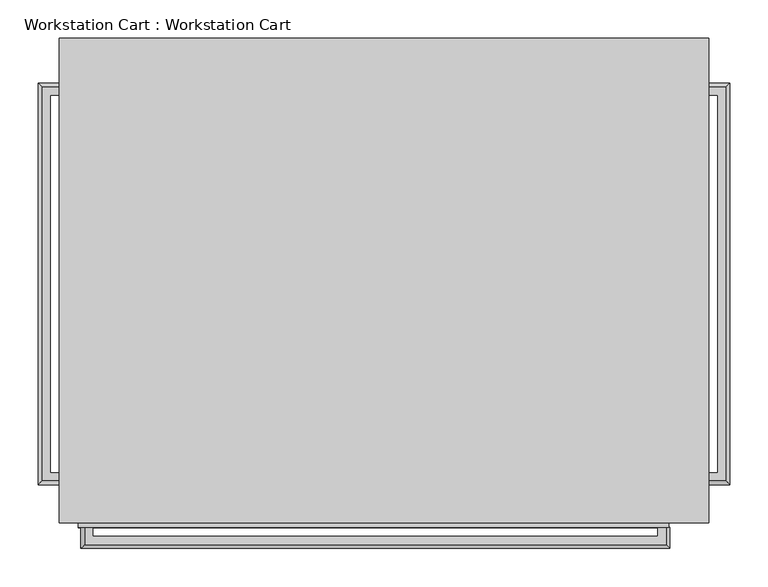
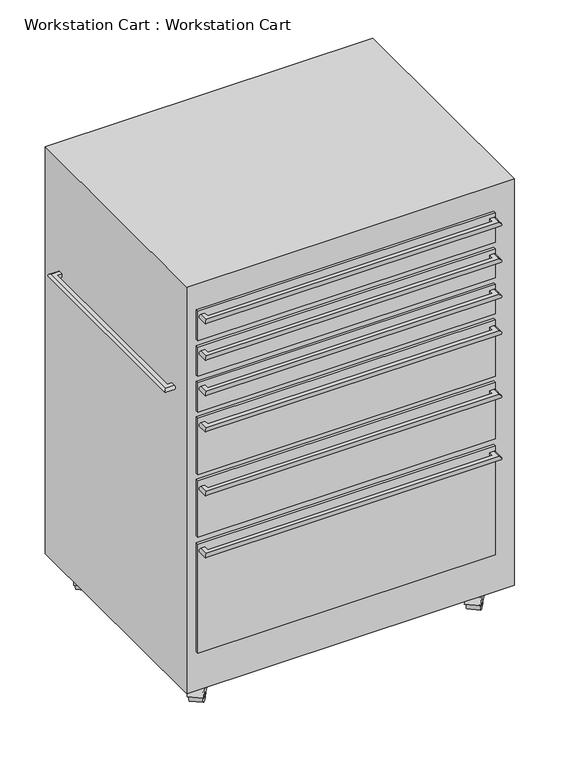
"""IFC4 building model written with IfcOpenShell, lengths in millimetres: proxy geometry, Workstation Cart : Workstation Cart."""

from ifc_helpers import new_model, si_unit, point, frame, frame_2d, origin, place, context, project, spatial, polyline, circle_curve, ellipse_curve, trimmed, segment, composite_curve, outline, extrude, faceted_brep, source, transform, mapped, element, save
from ifc_brep_helpers import plane_surface, cylinder_surface, advanced_brep


def workstation_cart_workstation_cart_99883234(model_context):
    return source(origin(), model_context, "Body", "SolidModel", [
        advanced_brep(
        [(-190.4992575, -364.236749, 842.4976645), (-190.4992575, -353.611749, 842.4976645), (-190.4992575, -353.611749, 852.4976645), (-190.4992575, -364.236749, 852.4976645), (-212.8761031, -364.236749, 852.4976645), (-212.8761031, -364.236749, 842.4976645), (-202.2511031, -353.611749, 852.4976645), (-202.2511031, 141.388251, 852.4976645), (-190.4992575, 141.388251, 852.4976645), (-190.4992575, 152.013251, 852.4976645), (-212.8761031, 152.013251, 852.4976645), (-202.2511031, -353.611749, 842.4976645), (-212.8761031, 152.013251, 842.4976645), (-190.4992575, 152.013251, 842.4976645), (-190.4992575, 141.388251, 842.4976645), (-202.2511031, 141.388251, 842.4976645)],
        [
            (0, 1),
            (1, 2),
            (2, 3),
            (3, 0, circle_curve(frame((-190.4992575, -364.236749, 847.4976645), z_axis=(1.0, 0.0, 0.0), x_axis=(0.0, -1.0, 0.0)), 5.0)),
            (3, 4),
            (4, 5, ellipse_curve(frame((-212.8761031, -364.236749, 847.4976645), z_axis=(0.7071067811865502, -0.7071067811865448, 0.0), x_axis=(0.7071067811865448, 0.7071067811865501, 0.0)), 7.0710678, 5.0)),
            (5, 0),
            (2, 6),
            (6, 7),
            (7, 8),
            (8, 9),
            (9, 10),
            (10, 4),
            (1, 11),
            (11, 6),
            (5, 12),
            (12, 13),
            (13, 14),
            (14, 15),
            (15, 11),
            (10, 12, ellipse_curve(frame((-212.8761031, 152.013251, 847.4976645), z_axis=(-0.7071067811865454, -0.7071067811865496, 0.0), x_axis=(0.7071067811865495, -0.7071067811865456, 0.0)), 7.0710678, 5.0)),
            (15, 7),
            (13, 9, circle_curve(frame((-190.4992575, 152.013251, 847.4976645), z_axis=(1.0, 0.0, 0.0), x_axis=(0.0, 1.0, 0.0)), 5.0)),
            (8, 14),
        ],
        [
            plane_surface(frame((-190.4992575, -353.611749, 422.4976645), z_axis=(1.0, 0.0, 0.0), x_axis=(0.0, 0.0, 1.0))),
            cylinder_surface(frame((-190.4992575, -364.236749, 847.4976645), z_axis=(1.0, 0.0, 0.0), x_axis=(0.0, -1.0, 0.0)), 5.0),
            plane_surface(frame((-190.4992575, -353.611749, 852.4976645), z_axis=(0.0, 0.0, 1.0), x_axis=(-1.0, 0.0, 0.0))),
            plane_surface(frame((-190.4992575, -353.611749, 842.4976645), z_axis=(0.0, 1.0, 0.0), x_axis=(-1.0, 0.0, 0.0))),
            plane_surface(frame((-190.4992575, -364.236749, 842.4976645), z_axis=(0.0, 0.0, -1.0), x_axis=(-1.0, 0.0, 0.0))),
            cylinder_surface(frame((-212.8761031, -353.611749, 847.4976645), z_axis=(0.0, -1.0, 0.0), x_axis=(-1.0, 0.0, 0.0)), 5.0),
            plane_surface(frame((-202.2511031, -353.611749, 842.4976645), z_axis=(1.0, 0.0, 0.0), x_axis=(0.0, 1.0, 0.0))),
            plane_surface(frame((-190.4992575, 141.388251, 422.4976645), z_axis=(1.0, 0.0, 0.0), x_axis=(0.0, 0.0, 1.0))),
            cylinder_surface(frame((-202.2511031, 152.013251, 847.4976645), z_axis=(-1.0, 0.0, 0.0), x_axis=(0.0, 1.0, 0.0)), 5.0),
            plane_surface(frame((-202.2511031, 141.388251, 842.4976645), z_axis=(0.0, -1.0, 0.0), x_axis=(1.0, 0.0, 0.0))),
        ],
        [
            (0, [[1, 2, 3, 4]]),
            (1, [[-4, 5, 6, 7]]),
            (2, [[-3, 8, 9, 10, 11, 12, 13, -5]]),
            (3, [[-2, 14, 15, -8]]),
            (4, [[-1, -7, 16, 17, 18, 19, 20, -14]]),
            (5, [[-6, -13, 21, -16]]),
            (6, [[-15, -20, 22, -9]]),
            (7, [[23, -11, 24, -18]]),
            (8, [[-21, -12, -23, -17]]),
            (9, [[-22, -19, -24, -10]]),
        ],
    ),
        advanced_brep(
        [(660.3992575, -364.236749, 842.4976645), (660.3992575, -364.236749, 852.4976645), (660.3992575, -353.611749, 852.4976645), (660.3992575, -353.611749, 842.4976645), (682.7761031, -364.236749, 842.4976645), (682.7761031, -364.236749, 852.4976645), (682.7761031, 152.013251, 852.4976645), (660.3992575, 152.013251, 852.4976645), (660.3992575, 141.388251, 852.4976645), (672.1511031, 141.388251, 852.4976645), (672.1511031, -353.611749, 852.4976645), (672.1511031, -353.611749, 842.4976645), (672.1511031, 141.388251, 842.4976645), (660.3992575, 141.388251, 842.4976645), (660.3992575, 152.013251, 842.4976645), (682.7761031, 152.013251, 842.4976645)],
        [
            (0, 1, circle_curve(frame((660.3992575, -364.236749, 847.4976645), z_axis=(-1.0, 0.0, 0.0), x_axis=(0.0, 1.0, 0.0)), 5.0)),
            (1, 2),
            (2, 3),
            (3, 0),
            (0, 4),
            (4, 5, ellipse_curve(frame((682.7761031, -364.236749, 847.4976645), z_axis=(-0.7071067811865502, -0.7071067811865448, 0.0), x_axis=(-0.7071067811865448, 0.7071067811865501, 0.0)), 7.0710678, 5.0)),
            (5, 1),
            (5, 6),
            (6, 7),
            (7, 8),
            (8, 9),
            (9, 10),
            (10, 2),
            (10, 11),
            (11, 3),
            (11, 12),
            (12, 13),
            (13, 14),
            (14, 15),
            (15, 4),
            (15, 6, ellipse_curve(frame((682.7761031, 152.013251, 847.4976645), z_axis=(0.7071067811865454, -0.7071067811865496, 0.0), x_axis=(-0.7071067811865495, -0.7071067811865456, 0.0)), 7.0710678, 5.0)),
            (9, 12),
            (13, 8),
            (7, 14, circle_curve(frame((660.3992575, 152.013251, 847.4976645), z_axis=(-1.0, 0.0, 0.0), x_axis=(0.0, -1.0, 0.0)), 5.0)),
        ],
        [
            plane_surface(frame((660.3992575, -353.611749, 422.4976645), z_axis=(-1.0, 0.0, 0.0), x_axis=(0.0, 0.0, 1.0))),
            cylinder_surface(frame((660.3992575, -364.236749, 847.4976645), z_axis=(-1.0, 0.0, 0.0), x_axis=(0.0, 1.0, 0.0)), 5.0),
            plane_surface(frame((660.3992575, -364.236749, 852.4976645), z_axis=(0.0, 0.0, 1.0), x_axis=(1.0, 0.0, 0.0))),
            plane_surface(frame((660.3992575, -353.611749, 852.4976645), z_axis=(0.0, 1.0, 0.0), x_axis=(1.0, 0.0, 0.0))),
            plane_surface(frame((660.3992575, -353.611749, 842.4976645), z_axis=(0.0, 0.0, -1.0), x_axis=(1.0, 0.0, 0.0))),
            cylinder_surface(frame((682.7761031, -353.611749, 847.4976645), z_axis=(0.0, -1.0, 0.0), x_axis=(-1.0, 0.0, 0.0)), 5.0),
            plane_surface(frame((672.1511031, -353.611749, 852.4976645), z_axis=(-1.0, 0.0, 0.0), x_axis=(0.0, 1.0, 0.0))),
            plane_surface(frame((660.3992575, 141.388251, 422.4976645), z_axis=(-1.0, 0.0, 0.0), x_axis=(0.0, 0.0, 1.0))),
            cylinder_surface(frame((672.1511031, 152.013251, 847.4976645), z_axis=(1.0, 0.0, 0.0), x_axis=(0.0, -1.0, 0.0)), 5.0),
            plane_surface(frame((672.1511031, 141.388251, 852.4976645), z_axis=(0.0, -1.0, 0.0), x_axis=(-1.0, 0.0, 0.0))),
        ],
        [
            (0, [[1, 2, 3, 4]]),
            (1, [[-1, 5, 6, 7]]),
            (2, [[-2, -7, 8, 9, 10, 11, 12, 13]]),
            (3, [[-3, -13, 14, 15]]),
            (4, [[-4, -15, 16, 17, 18, 19, 20, -5]]),
            (5, [[-6, -20, 21, -8]]),
            (6, [[-14, -12, 22, -16]]),
            (7, [[-18, 23, -10, 24]]),
            (8, [[-21, -19, -24, -9]]),
            (9, [[-22, -11, -23, -17]]),
        ],
    ),
        advanced_brep(
        [(-156.9309335, -425.45, 1062.5), (-156.9309335, -425.45, 1072.5), (-146.3059335, -425.45, 1072.5), (-146.3059335, -425.45, 1062.5), (-156.9309335, -447.8268456, 1062.5), (-156.9309335, -447.8268456, 1072.5), (604.3190665, -447.8268456, 1072.5), (604.3190665, -425.45, 1072.5), (593.6940665, -425.45, 1072.5), (593.6940665, -437.2018456, 1072.5), (-146.3059335, -437.2018456, 1072.5), (-146.3059335, -437.2018456, 1062.5), (593.6940665, -437.2018456, 1062.5), (593.6940665, -425.45, 1062.5), (604.3190665, -425.45, 1062.5), (604.3190665, -447.8268456, 1062.5)],
        [
            (0, 1, circle_curve(frame((-156.9309335, -425.45, 1067.5), z_axis=(0.0, 1.0, 0.0), x_axis=(1.0, 0.0, 0.0)), 5.0)),
            (1, 2),
            (2, 3),
            (3, 0),
            (0, 4),
            (4, 5, ellipse_curve(frame((-156.9309335, -447.8268456, 1067.5), z_axis=(-0.707106781186546, 0.7071067811865491, 0.0), x_axis=(0.7071067811865491, 0.7071067811865459, 0.0)), 7.0710678, 5.0)),
            (5, 1),
            (5, 6),
            (6, 7),
            (7, 8),
            (8, 9),
            (9, 10),
            (10, 2),
            (10, 11),
            (11, 3),
            (11, 12),
            (12, 13),
            (13, 14),
            (14, 15),
            (15, 4),
            (15, 6, ellipse_curve(frame((604.3190665, -447.8268456, 1067.5), z_axis=(-0.7071067811865485, -0.7071067811865465, 0.0), x_axis=(-0.7071067811865467, 0.7071067811865483, 0.0)), 7.0710678, 5.0)),
            (9, 12),
            (13, 8),
            (7, 14, circle_curve(frame((604.3190665, -425.45, 1067.5), z_axis=(0.0, 1.0, 0.0), x_axis=(-1.0, 0.0, 0.0)), 5.0)),
        ],
        [
            plane_surface(frame((-146.3059335, -425.45, 642.5), z_axis=(0.0, 1.0, 0.0), x_axis=(0.0, 0.0, 1.0))),
            cylinder_surface(frame((-156.9309335, -425.45, 1067.5), z_axis=(0.0, 1.0, 0.0), x_axis=(1.0, 0.0, 0.0)), 5.0),
            plane_surface(frame((-156.9309335, -425.45, 1072.5), z_axis=(0.0, 0.0, 1.0), x_axis=(0.0, -1.0, 0.0))),
            plane_surface(frame((-146.3059335, -425.45, 1072.5), z_axis=(1.0, 0.0, 0.0), x_axis=(0.0, -1.0, 0.0))),
            plane_surface(frame((-146.3059335, -425.45, 1062.5), z_axis=(0.0, 0.0, -1.0), x_axis=(0.0, -1.0, 0.0))),
            cylinder_surface(frame((-146.3059335, -447.8268456, 1067.5), z_axis=(-1.0, 0.0, 0.0), x_axis=(0.0, 1.0, 0.0)), 5.0),
            plane_surface(frame((-146.3059335, -437.2018456, 1072.5), z_axis=(0.0, 1.0, 0.0), x_axis=(1.0, 0.0, 0.0))),
            plane_surface(frame((593.6940665, -425.45, 642.5), z_axis=(0.0, 1.0, 0.0), x_axis=(0.0, 0.0, 1.0))),
            cylinder_surface(frame((604.3190665, -437.2018456, 1067.5), z_axis=(0.0, -1.0, 0.0), x_axis=(-1.0, 0.0, 0.0)), 5.0),
            plane_surface(frame((593.6940665, -437.2018456, 1072.5), z_axis=(-1.0, 0.0, 0.0), x_axis=(0.0, 1.0, 0.0))),
        ],
        [
            (0, [[1, 2, 3, 4]]),
            (1, [[-1, 5, 6, 7]]),
            (2, [[-2, -7, 8, 9, 10, 11, 12, 13]]),
            (3, [[-3, -13, 14, 15]]),
            (4, [[-4, -15, 16, 17, 18, 19, 20, -5]]),
            (5, [[-6, -20, 21, -8]]),
            (6, [[-14, -12, 22, -16]]),
            (7, [[-18, 23, -10, 24]]),
            (8, [[-21, -19, -24, -9]]),
            (9, [[-22, -11, -23, -17]]),
        ],
    ),
        advanced_brep(
        [(-156.9309335, -425.45, 962.5), (-156.9309335, -425.45, 972.5), (-146.3059335, -425.45, 972.5), (-146.3059335, -425.45, 962.5), (-156.9309335, -447.8268456, 962.5), (-156.9309335, -447.8268456, 972.5), (604.3190665, -447.8268456, 972.5), (604.3190665, -425.45, 972.5), (593.6940665, -425.45, 972.5), (593.6940665, -437.2018456, 972.5), (-146.3059335, -437.2018456, 972.5), (-146.3059335, -437.2018456, 962.5), (593.6940665, -437.2018456, 962.5), (593.6940665, -425.45, 962.5), (604.3190665, -425.45, 962.5), (604.3190665, -447.8268456, 962.5)],
        [
            (0, 1, circle_curve(frame((-156.9309335, -425.45, 967.5), z_axis=(0.0, 1.0, 0.0), x_axis=(1.0, 0.0, 0.0)), 5.0)),
            (1, 2),
            (2, 3),
            (3, 0),
            (0, 4),
            (4, 5, ellipse_curve(frame((-156.9309335, -447.8268456, 967.5), z_axis=(-0.707106781186546, 0.7071067811865491, 0.0), x_axis=(0.7071067811865491, 0.7071067811865459, 0.0)), 7.0710678, 5.0)),
            (5, 1),
            (5, 6),
            (6, 7),
            (7, 8),
            (8, 9),
            (9, 10),
            (10, 2),
            (10, 11),
            (11, 3),
            (11, 12),
            (12, 13),
            (13, 14),
            (14, 15),
            (15, 4),
            (15, 6, ellipse_curve(frame((604.3190665, -447.8268456, 967.5), z_axis=(-0.7071067811865485, -0.7071067811865465, 0.0), x_axis=(-0.7071067811865467, 0.7071067811865483, 0.0)), 7.0710678, 5.0)),
            (9, 12),
            (13, 8),
            (7, 14, circle_curve(frame((604.3190665, -425.45, 967.5), z_axis=(0.0, 1.0, 0.0), x_axis=(-1.0, 0.0, 0.0)), 5.0)),
        ],
        [
            plane_surface(frame((-146.3059335, -425.45, 542.5), z_axis=(0.0, 1.0, 0.0), x_axis=(0.0, 0.0, 1.0))),
            cylinder_surface(frame((-156.9309335, -425.45, 967.5), z_axis=(0.0, 1.0, 0.0), x_axis=(1.0, 0.0, 0.0)), 5.0),
            plane_surface(frame((-156.9309335, -425.45, 972.5), z_axis=(0.0, 0.0, 1.0), x_axis=(0.0, -1.0, 0.0))),
            plane_surface(frame((-146.3059335, -425.45, 972.5), z_axis=(1.0, 0.0, 0.0), x_axis=(0.0, -1.0, 0.0))),
            plane_surface(frame((-146.3059335, -425.45, 962.5), z_axis=(0.0, 0.0, -1.0), x_axis=(0.0, -1.0, 0.0))),
            cylinder_surface(frame((-146.3059335, -447.8268456, 967.5), z_axis=(-1.0, 0.0, 0.0), x_axis=(0.0, 1.0, 0.0)), 5.0),
            plane_surface(frame((-146.3059335, -437.2018456, 972.5), z_axis=(0.0, 1.0, 0.0), x_axis=(1.0, 0.0, 0.0))),
            plane_surface(frame((593.6940665, -425.45, 542.5), z_axis=(0.0, 1.0, 0.0), x_axis=(0.0, 0.0, 1.0))),
            cylinder_surface(frame((604.3190665, -437.2018456, 967.5), z_axis=(0.0, -1.0, 0.0), x_axis=(-1.0, 0.0, 0.0)), 5.0),
            plane_surface(frame((593.6940665, -437.2018456, 972.5), z_axis=(-1.0, 0.0, 0.0), x_axis=(0.0, 1.0, 0.0))),
        ],
        [
            (0, [[1, 2, 3, 4]]),
            (1, [[-1, 5, 6, 7]]),
            (2, [[-2, -7, 8, 9, 10, 11, 12, 13]]),
            (3, [[-3, -13, 14, 15]]),
            (4, [[-4, -15, 16, 17, 18, 19, 20, -5]]),
            (5, [[-6, -20, 21, -8]]),
            (6, [[-14, -12, 22, -16]]),
            (7, [[-18, 23, -10, 24]]),
            (8, [[-21, -19, -24, -9]]),
            (9, [[-22, -11, -23, -17]]),
        ],
    ),
        advanced_brep(
        [(-156.9309335, -425.45, 865.0), (-156.9309335, -425.45, 875.0), (-146.3059335, -425.45, 875.0), (-146.3059335, -425.45, 865.0), (-156.9309335, -447.8268456, 865.0), (-156.9309335, -447.8268456, 875.0), (604.3190665, -447.8268456, 875.0), (604.3190665, -425.45, 875.0), (593.6940665, -425.45, 875.0), (593.6940665, -437.2018456, 875.0), (-146.3059335, -437.2018456, 875.0), (-146.3059335, -437.2018456, 865.0), (593.6940665, -437.2018456, 865.0), (593.6940665, -425.45, 865.0), (604.3190665, -425.45, 865.0), (604.3190665, -447.8268456, 865.0)],
        [
            (0, 1, circle_curve(frame((-156.9309335, -425.45, 870.0), z_axis=(0.0, 1.0, 0.0), x_axis=(1.0, 0.0, 0.0)), 5.0)),
            (1, 2),
            (2, 3),
            (3, 0),
            (0, 4),
            (4, 5, ellipse_curve(frame((-156.9309335, -447.8268456, 870.0), z_axis=(-0.707106781186546, 0.7071067811865491, 0.0), x_axis=(0.7071067811865491, 0.7071067811865459, 0.0)), 7.0710678, 5.0)),
            (5, 1),
            (5, 6),
            (6, 7),
            (7, 8),
            (8, 9),
            (9, 10),
            (10, 2),
            (10, 11),
            (11, 3),
            (11, 12),
            (12, 13),
            (13, 14),
            (14, 15),
            (15, 4),
            (15, 6, ellipse_curve(frame((604.3190665, -447.8268456, 870.0), z_axis=(-0.7071067811865485, -0.7071067811865465, 0.0), x_axis=(-0.7071067811865467, 0.7071067811865483, 0.0)), 7.0710678, 5.0)),
            (9, 12),
            (13, 8),
            (7, 14, circle_curve(frame((604.3190665, -425.45, 870.0), z_axis=(0.0, 1.0, 0.0), x_axis=(-1.0, 0.0, 0.0)), 5.0)),
        ],
        [
            plane_surface(frame((-146.3059335, -425.45, 445.0), z_axis=(0.0, 1.0, 0.0), x_axis=(0.0, 0.0, 1.0))),
            cylinder_surface(frame((-156.9309335, -425.45, 870.0), z_axis=(0.0, 1.0, 0.0), x_axis=(1.0, 0.0, 0.0)), 5.0),
            plane_surface(frame((-156.9309335, -425.45, 875.0), z_axis=(0.0, 0.0, 1.0), x_axis=(0.0, -1.0, 0.0))),
            plane_surface(frame((-146.3059335, -425.45, 875.0), z_axis=(1.0, 0.0, 0.0), x_axis=(0.0, -1.0, 0.0))),
            plane_surface(frame((-146.3059335, -425.45, 865.0), z_axis=(0.0, 0.0, -1.0), x_axis=(0.0, -1.0, 0.0))),
            cylinder_surface(frame((-146.3059335, -447.8268456, 870.0), z_axis=(-1.0, 0.0, 0.0), x_axis=(0.0, 1.0, 0.0)), 5.0),
            plane_surface(frame((-146.3059335, -437.2018456, 875.0), z_axis=(0.0, 1.0, 0.0), x_axis=(1.0, 0.0, 0.0))),
            plane_surface(frame((593.6940665, -425.45, 445.0), z_axis=(0.0, 1.0, 0.0), x_axis=(0.0, 0.0, 1.0))),
            cylinder_surface(frame((604.3190665, -437.2018456, 870.0), z_axis=(0.0, -1.0, 0.0), x_axis=(-1.0, 0.0, 0.0)), 5.0),
            plane_surface(frame((593.6940665, -437.2018456, 875.0), z_axis=(-1.0, 0.0, 0.0), x_axis=(0.0, 1.0, 0.0))),
        ],
        [
            (0, [[1, 2, 3, 4]]),
            (1, [[-1, 5, 6, 7]]),
            (2, [[-2, -7, 8, 9, 10, 11, 12, 13]]),
            (3, [[-3, -13, 14, 15]]),
            (4, [[-4, -15, 16, 17, 18, 19, 20, -5]]),
            (5, [[-6, -20, 21, -8]]),
            (6, [[-14, -12, 22, -16]]),
            (7, [[-18, 23, -10, 24]]),
            (8, [[-21, -19, -24, -9]]),
            (9, [[-22, -11, -23, -17]]),
        ],
    ),
        advanced_brep(
        [(-156.9309335, -425.45, 765.0), (-156.9309335, -425.45, 775.0), (-146.3059335, -425.45, 775.0), (-146.3059335, -425.45, 765.0), (-156.9309335, -447.8268456, 765.0), (-156.9309335, -447.8268456, 775.0), (604.3190665, -447.8268456, 775.0), (604.3190665, -425.45, 775.0), (593.6940665, -425.45, 775.0), (593.6940665, -437.2018456, 775.0), (-146.3059335, -437.2018456, 775.0), (-146.3059335, -437.2018456, 765.0), (593.6940665, -437.2018456, 765.0), (593.6940665, -425.45, 765.0), (604.3190665, -425.45, 765.0), (604.3190665, -447.8268456, 765.0)],
        [
            (0, 1, circle_curve(frame((-156.9309335, -425.45, 770.0), z_axis=(0.0, 1.0, 0.0), x_axis=(1.0, 0.0, 0.0)), 5.0)),
            (1, 2),
            (2, 3),
            (3, 0),
            (0, 4),
            (4, 5, ellipse_curve(frame((-156.9309335, -447.8268456, 770.0), z_axis=(-0.707106781186546, 0.7071067811865491, 0.0), x_axis=(0.7071067811865491, 0.7071067811865459, 0.0)), 7.0710678, 5.0)),
            (5, 1),
            (5, 6),
            (6, 7),
            (7, 8),
            (8, 9),
            (9, 10),
            (10, 2),
            (10, 11),
            (11, 3),
            (11, 12),
            (12, 13),
            (13, 14),
            (14, 15),
            (15, 4),
            (15, 6, ellipse_curve(frame((604.3190665, -447.8268456, 770.0), z_axis=(-0.7071067811865485, -0.7071067811865465, 0.0), x_axis=(-0.7071067811865467, 0.7071067811865483, 0.0)), 7.0710678, 5.0)),
            (9, 12),
            (13, 8),
            (7, 14, circle_curve(frame((604.3190665, -425.45, 770.0), z_axis=(0.0, 1.0, 0.0), x_axis=(-1.0, 0.0, 0.0)), 5.0)),
        ],
        [
            plane_surface(frame((-146.3059335, -425.45, 345.0), z_axis=(0.0, 1.0, 0.0), x_axis=(0.0, 0.0, 1.0))),
            cylinder_surface(frame((-156.9309335, -425.45, 770.0), z_axis=(0.0, 1.0, 0.0), x_axis=(1.0, 0.0, 0.0)), 5.0),
            plane_surface(frame((-156.9309335, -425.45, 775.0), z_axis=(0.0, 0.0, 1.0), x_axis=(0.0, -1.0, 0.0))),
            plane_surface(frame((-146.3059335, -425.45, 775.0), z_axis=(1.0, 0.0, 0.0), x_axis=(0.0, -1.0, 0.0))),
            plane_surface(frame((-146.3059335, -425.45, 765.0), z_axis=(0.0, 0.0, -1.0), x_axis=(0.0, -1.0, 0.0))),
            cylinder_surface(frame((-146.3059335, -447.8268456, 770.0), z_axis=(-1.0, 0.0, 0.0), x_axis=(0.0, 1.0, 0.0)), 5.0),
            plane_surface(frame((-146.3059335, -437.2018456, 775.0), z_axis=(0.0, 1.0, 0.0), x_axis=(1.0, 0.0, 0.0))),
            plane_surface(frame((593.6940665, -425.45, 345.0), z_axis=(0.0, 1.0, 0.0), x_axis=(0.0, 0.0, 1.0))),
            cylinder_surface(frame((604.3190665, -437.2018456, 770.0), z_axis=(0.0, -1.0, 0.0), x_axis=(-1.0, 0.0, 0.0)), 5.0),
            plane_surface(frame((593.6940665, -437.2018456, 775.0), z_axis=(-1.0, 0.0, 0.0), x_axis=(0.0, 1.0, 0.0))),
        ],
        [
            (0, [[1, 2, 3, 4]]),
            (1, [[-1, 5, 6, 7]]),
            (2, [[-2, -7, 8, 9, 10, 11, 12, 13]]),
            (3, [[-3, -13, 14, 15]]),
            (4, [[-4, -15, 16, 17, 18, 19, 20, -5]]),
            (5, [[-6, -20, 21, -8]]),
            (6, [[-14, -12, 22, -16]]),
            (7, [[-18, 23, -10, 24]]),
            (8, [[-21, -19, -24, -9]]),
            (9, [[-22, -11, -23, -17]]),
        ],
    ),
        advanced_brep(
        [(-156.9309335, -425.45, 590.0), (-156.9309335, -425.45, 600.0), (-146.3059335, -425.45, 600.0), (-146.3059335, -425.45, 590.0), (-156.9309335, -447.8268456, 590.0), (-156.9309335, -447.8268456, 600.0), (604.3190665, -447.8268456, 600.0), (604.3190665, -425.45, 600.0), (593.6940665, -425.45, 600.0), (593.6940665, -437.2018456, 600.0), (-146.3059335, -437.2018456, 600.0), (-146.3059335, -437.2018456, 590.0), (593.6940665, -437.2018456, 590.0), (593.6940665, -425.45, 590.0), (604.3190665, -425.45, 590.0), (604.3190665, -447.8268456, 590.0)],
        [
            (0, 1, circle_curve(frame((-156.9309335, -425.45, 595.0), z_axis=(0.0, 1.0, 0.0), x_axis=(1.0, 0.0, 0.0)), 5.0)),
            (1, 2),
            (2, 3),
            (3, 0),
            (0, 4),
            (4, 5, ellipse_curve(frame((-156.9309335, -447.8268456, 595.0), z_axis=(-0.707106781186546, 0.7071067811865491, 0.0), x_axis=(0.7071067811865491, 0.7071067811865459, 0.0)), 7.0710678, 5.0)),
            (5, 1),
            (5, 6),
            (6, 7),
            (7, 8),
            (8, 9),
            (9, 10),
            (10, 2),
            (10, 11),
            (11, 3),
            (11, 12),
            (12, 13),
            (13, 14),
            (14, 15),
            (15, 4),
            (15, 6, ellipse_curve(frame((604.3190665, -447.8268456, 595.0), z_axis=(-0.7071067811865485, -0.7071067811865465, 0.0), x_axis=(-0.7071067811865467, 0.7071067811865483, 0.0)), 7.0710678, 5.0)),
            (9, 12),
            (13, 8),
            (7, 14, circle_curve(frame((604.3190665, -425.45, 595.0), z_axis=(0.0, 1.0, 0.0), x_axis=(-1.0, 0.0, 0.0)), 5.0)),
        ],
        [
            plane_surface(frame((-146.3059335, -425.45, 170.0), z_axis=(0.0, 1.0, 0.0), x_axis=(0.0, 0.0, 1.0))),
            cylinder_surface(frame((-156.9309335, -425.45, 595.0), z_axis=(0.0, 1.0, 0.0), x_axis=(1.0, 0.0, 0.0)), 5.0),
            plane_surface(frame((-156.9309335, -425.45, 600.0), z_axis=(0.0, 0.0, 1.0), x_axis=(0.0, -1.0, 0.0))),
            plane_surface(frame((-146.3059335, -425.45, 600.0), z_axis=(1.0, 0.0, 0.0), x_axis=(0.0, -1.0, 0.0))),
            plane_surface(frame((-146.3059335, -425.45, 590.0), z_axis=(0.0, 0.0, -1.0), x_axis=(0.0, -1.0, 0.0))),
            cylinder_surface(frame((-146.3059335, -447.8268456, 595.0), z_axis=(-1.0, 0.0, 0.0), x_axis=(0.0, 1.0, 0.0)), 5.0),
            plane_surface(frame((-146.3059335, -437.2018456, 600.0), z_axis=(0.0, 1.0, 0.0), x_axis=(1.0, 0.0, 0.0))),
            plane_surface(frame((593.6940665, -425.45, 170.0), z_axis=(0.0, 1.0, 0.0), x_axis=(0.0, 0.0, 1.0))),
            cylinder_surface(frame((604.3190665, -437.2018456, 595.0), z_axis=(0.0, -1.0, 0.0), x_axis=(-1.0, 0.0, 0.0)), 5.0),
            plane_surface(frame((593.6940665, -437.2018456, 600.0), z_axis=(-1.0, 0.0, 0.0), x_axis=(0.0, 1.0, 0.0))),
        ],
        [
            (0, [[1, 2, 3, 4]]),
            (1, [[-1, 5, 6, 7]]),
            (2, [[-2, -7, 8, 9, 10, 11, 12, 13]]),
            (3, [[-3, -13, 14, 15]]),
            (4, [[-4, -15, 16, 17, 18, 19, 20, -5]]),
            (5, [[-6, -20, 21, -8]]),
            (6, [[-14, -12, 22, -16]]),
            (7, [[-18, 23, -10, 24]]),
            (8, [[-21, -19, -24, -9]]),
            (9, [[-22, -11, -23, -17]]),
        ],
    ),
        advanced_brep(
        [(-156.9309335, -425.45, 420.0), (-156.9309335, -425.45, 430.0), (-146.3059335, -425.45, 430.0), (-146.3059335, -425.45, 420.0), (-156.9309335, -447.8268456, 420.0), (-156.9309335, -447.8268456, 430.0), (604.3190665, -447.8268456, 430.0), (604.3190665, -425.45, 430.0), (593.6940665, -425.45, 430.0), (593.6940665, -437.2018456, 430.0), (-146.3059335, -437.2018456, 430.0), (-146.3059335, -437.2018456, 420.0), (593.6940665, -437.2018456, 420.0), (593.6940665, -425.45, 420.0), (604.3190665, -425.45, 420.0), (604.3190665, -447.8268456, 420.0)],
        [
            (0, 1, circle_curve(frame((-156.9309335, -425.45, 425.0), z_axis=(0.0, 1.0, 0.0), x_axis=(1.0, 0.0, 0.0)), 5.0)),
            (1, 2),
            (2, 3),
            (3, 0),
            (0, 4),
            (4, 5, ellipse_curve(frame((-156.9309335, -447.8268456, 425.0), z_axis=(-0.707106781186546, 0.7071067811865491, 0.0), x_axis=(0.7071067811865491, 0.7071067811865459, 0.0)), 7.0710678, 5.0)),
            (5, 1),
            (5, 6),
            (6, 7),
            (7, 8),
            (8, 9),
            (9, 10),
            (10, 2),
            (10, 11),
            (11, 3),
            (11, 12),
            (12, 13),
            (13, 14),
            (14, 15),
            (15, 4),
            (15, 6, ellipse_curve(frame((604.3190665, -447.8268456, 425.0), z_axis=(-0.7071067811865485, -0.7071067811865465, 0.0), x_axis=(-0.7071067811865467, 0.7071067811865483, 0.0)), 7.0710678, 5.0)),
            (9, 12),
            (13, 8),
            (7, 14, circle_curve(frame((604.3190665, -425.45, 425.0), z_axis=(0.0, 1.0, 0.0), x_axis=(-1.0, 0.0, 0.0)), 5.0)),
        ],
        [
            plane_surface(frame((-146.3059335, -425.45, 0.0), z_axis=(0.0, 1.0, 0.0), x_axis=(0.0, 0.0, 1.0))),
            cylinder_surface(frame((-156.9309335, -425.45, 425.0), z_axis=(0.0, 1.0, 0.0), x_axis=(1.0, 0.0, 0.0)), 5.0),
            plane_surface(frame((-156.9309335, -425.45, 430.0), z_axis=(0.0, 0.0, 1.0), x_axis=(0.0, -1.0, 0.0))),
            plane_surface(frame((-146.3059335, -425.45, 430.0), z_axis=(1.0, 0.0, 0.0), x_axis=(0.0, -1.0, 0.0))),
            plane_surface(frame((-146.3059335, -425.45, 420.0), z_axis=(0.0, 0.0, -1.0), x_axis=(0.0, -1.0, 0.0))),
            cylinder_surface(frame((-146.3059335, -447.8268456, 425.0), z_axis=(-1.0, 0.0, 0.0), x_axis=(0.0, 1.0, 0.0)), 5.0),
            plane_surface(frame((-146.3059335, -437.2018456, 430.0), z_axis=(0.0, 1.0, 0.0), x_axis=(1.0, 0.0, 0.0))),
            plane_surface(frame((593.6940665, -425.45, 0.0), z_axis=(0.0, 1.0, 0.0), x_axis=(0.0, 0.0, 1.0))),
            cylinder_surface(frame((604.3190665, -437.2018456, 425.0), z_axis=(0.0, -1.0, 0.0), x_axis=(-1.0, 0.0, 0.0)), 5.0),
            plane_surface(frame((593.6940665, -437.2018456, 430.0), z_axis=(-1.0, 0.0, 0.0), x_axis=(0.0, 1.0, 0.0))),
        ],
        [
            (0, [[1, 2, 3, 4]]),
            (1, [[-1, 5, 6, 7]]),
            (2, [[-2, -7, 8, 9, 10, 11, 12, 13]]),
            (3, [[-3, -13, 14, 15]]),
            (4, [[-4, -15, 16, 17, 18, 19, 20, -5]]),
            (5, [[-6, -20, 21, -8]]),
            (6, [[-14, -12, 22, -16]]),
            (7, [[-18, 23, -10, 24]]),
            (8, [[-21, -19, -24, -9]]),
            (9, [[-22, -11, -23, -17]]),
        ],
    ),
        extrude(outline(composite_curve([segment(trimmed(circle_curve(frame_2d((0.0, -25.7612182)), 25.7612183), [point((0.0, -51.5224365))], [point((0.0, 0.0))], False, "CARTESIAN"), True, "CONTINUOUS"), segment(trimmed(circle_curve(frame_2d((0.0, -25.7612182)), 25.7612183), [point((0.0, 0.0))], [point((0.0, -51.5224365))], False, "CARTESIAN"), True, "CONTINUOUS")], self_intersect=False)), frame((-98.5794195, 161.7340806, -13.9262817), z_axis=(-0.7771459614569454, 0.6293203910498689, 0.0), x_axis=(0.0, 0.0, 1.0)), (0.0, 0.0, 1.0), 31.75),
        extrude(outline(composite_curve([segment(polyline([(-57.1058785, 0.0), (-0.6783151, 0.0)]), True, "CONTINUOUS"), segment(trimmed(circle_curve(frame_2d((-28.8920967, 0.0)), 28.2137817), [point((-0.6783151, 0.0))], [point((-57.1058785, 0.0))], False, "CARTESIAN"), True, "CONTINUOUS")], self_intersect=False)), frame((-94.1416554, 162.1691379, -13.9262817), z_axis=(-0.7771459614569454, 0.6293203910498689, 0.0), x_axis=(0.6293203910498689, 0.7771459614569454, 0.0)), (0.0, 0.0, 1.0), 38.1),
        extrude(outline(composite_curve([segment(trimmed(circle_curve(frame_2d((-127.1280789, 151.7038351)), 3.5091751), [point((-129.8552201, 153.9122305))], [point((-124.4009376, 149.4954397))], False, "CARTESIAN"), True, "CONTINUOUS"), segment(trimmed(circle_curve(frame_2d((-127.1280789, 151.7038351)), 3.5091751), [point((-124.4009376, 149.4954397))], [point((-129.8552201, 153.9122305))], False, "CARTESIAN"), True, "CONTINUOUS")], self_intersect=False)), frame((0.0, 0.0, 14.2875), z_axis=(0.0, 0.0, 1.0), x_axis=(1.0, 0.0, 0.0)), (0.0, 0.0, 1.0), 13.49375),
        extrude(outline(composite_curve([segment(trimmed(circle_curve(frame_2d((0.0, -25.7612182)), 25.7612183), [point((0.0, -51.5224365))], [point((0.0, 0.0))], False, "CARTESIAN"), True, "CONTINUOUS"), segment(trimmed(circle_curve(frame_2d((0.0, -25.7612182)), 25.7612183), [point((0.0, 0.0))], [point((0.0, -51.5224365))], False, "CARTESIAN"), True, "CONTINUOUS")], self_intersect=False)), frame((-96.651196, -345.2878507, -13.9262817), z_axis=(-0.7771459614569454, 0.6293203910498689, 0.0), x_axis=(0.0, 0.0, 1.0)), (0.0, 0.0, 1.0), 31.75),
        extrude(outline(composite_curve([segment(polyline([(-57.1058784, 0.0), (-0.6783149, 0.0)]), True, "CONTINUOUS"), segment(trimmed(circle_curve(frame_2d((-28.8920967, 0.0)), 28.2137817), [point((-0.6783149, 0.0))], [point((-57.1058784, 0.0))], False, "CARTESIAN"), True, "CONTINUOUS")], self_intersect=False)), frame((-92.2134319, -344.8527934, -13.9262817), z_axis=(-0.7771459614569454, 0.6293203910498689, 0.0), x_axis=(0.6293203910498689, 0.7771459614569454, 0.0)), (0.0, 0.0, 1.0), 38.1),
        extrude(outline(composite_curve([segment(trimmed(circle_curve(frame_2d((-125.1998553, -355.3180962)), 3.5091751), [point((-127.9269966, -353.1097007))], [point((-122.4727141, -357.5264916))], False, "CARTESIAN"), True, "CONTINUOUS"), segment(trimmed(circle_curve(frame_2d((-125.1998553, -355.3180962)), 3.5091751), [point((-122.4727141, -357.5264916))], [point((-127.9269966, -353.1097007))], False, "CARTESIAN"), True, "CONTINUOUS")], self_intersect=False)), frame((0.0, 0.0, 14.2875), z_axis=(0.0, 0.0, 1.0), x_axis=(1.0, 0.0, 0.0)), (0.0, 0.0, 1.0), 13.49375),
        extrude(outline(composite_curve([segment(trimmed(circle_curve(frame_2d((0.0, -25.7612183)), 25.7612183), [point((0.0, -51.5224365))], [point((0.0, 0.0))], False, "CARTESIAN"), True, "CONTINUOUS"), segment(trimmed(circle_curve(frame_2d((0.0, -25.7612183)), 25.7612183), [point((0.0, 0.0))], [point((0.0, -51.5224365))], False, "CARTESIAN"), True, "CONTINUOUS")], self_intersect=False)), frame((626.43263, 162.799051, -13.9262817), z_axis=(-0.7771459614569454, 0.6293203910498689, 0.0), x_axis=(0.0, 0.0, 1.0)), (0.0, 0.0, 1.0), 31.75),
        extrude(outline(composite_curve([segment(polyline([(-57.1058785, 0.0), (-0.678315, 0.0)]), True, "CONTINUOUS"), segment(trimmed(circle_curve(frame_2d((-28.8920967, 0.0)), 28.2137817), [point((-0.678315, 0.0))], [point((-57.1058785, 0.0))], False, "CARTESIAN"), True, "CONTINUOUS")], self_intersect=False)), frame((630.8703941, 163.2341083, -13.9262817), z_axis=(-0.7771459614569455, 0.6293203910498689, 0.0), x_axis=(0.6293203910498689, 0.7771459614569455, 0.0)), (0.0, 0.0, 1.0), 38.1),
        extrude(outline(composite_curve([segment(trimmed(circle_curve(frame_2d((597.8839706, 152.7688055)), 3.5091751), [point((595.1568293, 154.977201))], [point((600.6111119, 150.5604101))], False, "CARTESIAN"), True, "CONTINUOUS"), segment(trimmed(circle_curve(frame_2d((597.8839706, 152.7688055)), 3.5091751), [point((600.6111119, 150.5604101))], [point((595.1568293, 154.977201))], False, "CARTESIAN"), True, "CONTINUOUS")], self_intersect=False)), frame((0.0, 0.0, 14.2875), z_axis=(0.0, 0.0, 1.0), x_axis=(1.0, 0.0, 0.0)), (0.0, 0.0, 1.0), 13.49375),
        extrude(outline(composite_curve([segment(trimmed(circle_curve(frame_2d((0.0, -25.7612183)), 25.7612183), [point((0.0, -51.5224365))], [point((0.0, 0.0))], False, "CARTESIAN"), True, "CONTINUOUS"), segment(trimmed(circle_curve(frame_2d((0.0, -25.7612183)), 25.7612183), [point((0.0, 0.0))], [point((0.0, -51.5224365))], False, "CARTESIAN"), True, "CONTINUOUS")], self_intersect=False)), frame((626.43263, 162.799051, -13.9262817), z_axis=(-0.7771459614569454, 0.6293203910498689, 0.0), x_axis=(0.0, 0.0, 1.0)), (0.0, 0.0, 1.0), 31.75),
        extrude(outline(composite_curve([segment(polyline([(-57.1058785, 0.0), (-0.678315, 0.0)]), True, "CONTINUOUS"), segment(trimmed(circle_curve(frame_2d((-28.8920967, 0.0)), 28.2137817), [point((-0.678315, 0.0))], [point((-57.1058785, 0.0))], False, "CARTESIAN"), True, "CONTINUOUS")], self_intersect=False)), frame((630.8703941, 163.2341083, -13.9262817), z_axis=(-0.7771459614569455, 0.6293203910498689, 0.0), x_axis=(0.6293203910498689, 0.7771459614569455, 0.0)), (0.0, 0.0, 1.0), 38.1),
        extrude(outline(composite_curve([segment(trimmed(circle_curve(frame_2d((597.8839706, 152.7688055)), 3.5091751), [point((595.1568293, 154.977201))], [point((600.6111119, 150.5604101))], False, "CARTESIAN"), True, "CONTINUOUS"), segment(trimmed(circle_curve(frame_2d((597.8839706, 152.7688055)), 3.5091751), [point((600.6111119, 150.5604101))], [point((595.1568293, 154.977201))], False, "CARTESIAN"), True, "CONTINUOUS")], self_intersect=False)), frame((0.0, 0.0, 14.2875), z_axis=(0.0, 0.0, 1.0), x_axis=(1.0, 0.0, 0.0)), (0.0, 0.0, 1.0), 13.49375),
        extrude(outline(composite_curve([segment(trimmed(circle_curve(frame_2d((0.0, -25.7612183)), 25.7612183), [point((0.0, -51.5224365))], [point((0.0, 0.0))], False, "CARTESIAN"), True, "CONTINUOUS"), segment(trimmed(circle_curve(frame_2d((0.0, -25.7612183)), 25.7612183), [point((0.0, 0.0))], [point((0.0, -51.5224365))], False, "CARTESIAN"), True, "CONTINUOUS")], self_intersect=False)), frame((624.84513, -343.613449, -13.9262817), z_axis=(-0.7771459614569454, 0.6293203910498689, 0.0), x_axis=(0.0, 0.0, 1.0)), (0.0, 0.0, 1.0), 31.75),
        extrude(outline(composite_curve([segment(polyline([(-57.1058785, 0.0), (-0.678315, 0.0)]), True, "CONTINUOUS"), segment(trimmed(circle_curve(frame_2d((-28.8920967, 0.0)), 28.2137817), [point((-0.678315, 0.0))], [point((-57.1058785, 0.0))], False, "CARTESIAN"), True, "CONTINUOUS")], self_intersect=False)), frame((629.2828941, -343.1783917, -13.9262817), z_axis=(-0.7771459614569454, 0.6293203910498689, 0.0), x_axis=(0.6293203910498689, 0.7771459614569454, 0.0)), (0.0, 0.0, 1.0), 38.1),
        extrude(outline(composite_curve([segment(trimmed(circle_curve(frame_2d((596.2964706, -353.6436945)), 3.5091751), [point((593.5693293, -351.435299))], [point((599.0236119, -355.8520899))], False, "CARTESIAN"), True, "CONTINUOUS"), segment(trimmed(circle_curve(frame_2d((596.2964706, -353.6436945)), 3.5091751), [point((599.0236119, -355.8520899))], [point((593.5693293, -351.435299))], False, "CARTESIAN"), True, "CONTINUOUS")], self_intersect=False)), frame((0.0, 0.0, 14.2875), z_axis=(0.0, 0.0, 1.0), x_axis=(1.0, 0.0, 0.0)), (0.0, 0.0, 1.0), 13.49375),
        extrude(outline(polyline([(-165.1, -419.1), (608.0784825, -419.1), (608.0784825, -425.45), (-165.1, -425.45), (-165.1, -419.1)])), frame((0.0, 0.0, 463.55), z_axis=(0.0, 0.0, 1.0), x_axis=(1.0, 0.0, 0.0)), (0.0, 0.0, 1.0), 155.3345142),
        extrude(outline(polyline([(-165.1, -419.1), (608.0784825, -419.1), (608.0784825, -425.45), (-165.1, -425.45), (-165.1, -419.1)])), frame((0.0, 0.0, 806.45), z_axis=(0.0, 0.0, 1.0), x_axis=(1.0, 0.0, 0.0)), (0.0, 0.0, 1.0), 80.8645528),
        extrude(outline(polyline([(-165.1, -419.1), (608.0784825, -419.1), (608.0784825, -425.45), (-165.1, -425.45), (-165.1, -419.1)])), frame((0.0, 0.0, 904.875), z_axis=(0.0, 0.0, 1.0), x_axis=(1.0, 0.0, 0.0)), (0.0, 0.0, 1.0), 80.8645528),
        extrude(outline(polyline([(-165.1, -419.1), (608.0784825, -419.1), (608.0784825, -425.45), (-165.1, -425.45), (-165.1, -419.1)])), frame((0.0, 0.0, 1003.3), z_axis=(0.0, 0.0, 1.0), x_axis=(1.0, 0.0, 0.0)), (0.0, 0.0, 1.0), 80.8645528),
        extrude(outline(polyline([(-165.1, -419.1), (608.0784825, -419.1), (608.0784825, -425.45), (-165.1, -425.45), (-165.1, -419.1)])), frame((0.0, 0.0, 635.0), z_axis=(0.0, 0.0, 1.0), x_axis=(1.0, 0.0, 0.0)), (0.0, 0.0, 1.0), 155.3345142),
        extrude(outline(polyline([(608.0784825, -425.45), (-165.1, -425.45), (-165.1, -419.1), (608.0784825, -419.1), (608.0784825, -425.45)])), frame((0.0, 0.0, 144.62025), z_axis=(0.0, 0.0, 1.0), x_axis=(1.0, 0.0, 0.0)), (0.0, 0.0, 1.0), 299.87975),
        faceted_brep([(584.2, -368.3, 38.1), (609.6, -368.3, 38.1), (609.6, -342.9, 38.1), (584.2, -342.9, 38.1), (590.55, -361.95, 25.4), (590.55, -349.25, 25.4), (603.25, -349.25, 25.4), (603.25, -361.95, 25.4)], [[[0, 1, 2, 3]], [[4, 5, 6, 7]], [[4, 7, 1, 0]], [[7, 6, 2, 1]], [[6, 5, 3, 2]], [[5, 4, 0, 3]]]),
        faceted_brep([(-114.3, -368.3, 38.1), (-114.3, -342.9, 38.1), (-139.7, -342.9, 38.1), (-139.7, -368.3, 38.1), (-120.65, -361.95, 25.4), (-133.35, -361.95, 25.4), (-133.35, -349.25, 25.4), (-120.65, -349.25, 25.4)], [[[0, 1, 2, 3]], [[4, 5, 6, 7]], [[4, 7, 1, 0]], [[7, 6, 2, 1]], [[6, 5, 3, 2]], [[5, 4, 0, 3]]]),
        faceted_brep([(584.2, 165.1, 38.1), (584.2, 139.7, 38.1), (609.6, 139.7, 38.1), (609.6, 165.1, 38.1), (590.55, 158.75, 25.4), (603.25, 158.75, 25.4), (603.25, 146.05, 25.4), (590.55, 146.05, 25.4)], [[[0, 1, 2, 3]], [[4, 5, 6, 7]], [[4, 7, 1, 0]], [[7, 6, 2, 1]], [[6, 5, 3, 2]], [[5, 4, 0, 3]]]),
        faceted_brep([(-114.3, 165.1, 38.1), (-139.7, 165.1, 38.1), (-139.7, 139.7, 38.1), (-114.3, 139.7, 38.1), (-120.65, 158.75, 25.4), (-120.65, 146.05, 25.4), (-133.35, 146.05, 25.4), (-133.35, 158.75, 25.4)], [[[0, 1, 2, 3]], [[4, 5, 6, 7]], [[4, 7, 1, 0]], [[7, 6, 2, 1]], [[6, 5, 3, 2]], [[5, 4, 0, 3]]]),
        extrude(outline(polyline([(660.4, -419.1), (-190.5, -419.1), (-190.5, 215.9), (660.4, 215.9), (660.4, -419.1)])), frame((0.0, 0.0, 38.1), z_axis=(0.0, 0.0, 1.0), x_axis=(1.0, 0.0, 0.0)), (0.0, 0.0, 1.0), 1117.6),
    ])


if __name__ == "__main__":
    model = new_model("IFC4")
    model_context = context("Model", 3, world=origin())
    ifc_project = project(units=[si_unit("LENGTHUNIT", "METRE", prefix="MILLI")], contexts=[model_context])
    site = spatial("IfcSite", under=ifc_project)
    building = spatial("IfcBuilding", under=site)
    placement = place(None, origin())
    workstation_cart_workstation_cart_shape = workstation_cart_workstation_cart_99883234(model_context)
    element("IfcBuildingElementProxy", 1, Name="Workstation Cart : Workstation Cart", ObjectType="Workstation Cart : Workstation Cart", at=placement, inside=building, context=model_context, shape_type="MappedRepresentation", body=[
        mapped(workstation_cart_workstation_cart_shape, transform((0.0, 0.0, 0.0), x_axis=(1.0, 0.0, 0.0), y_axis=(0.0, 1.0, 0.0), z_axis=(0.0, 0.0, 1.0))),
    ])
    save(model, "model.ifc")
